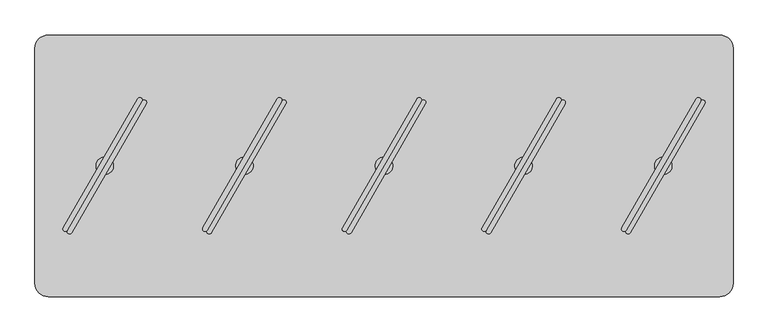
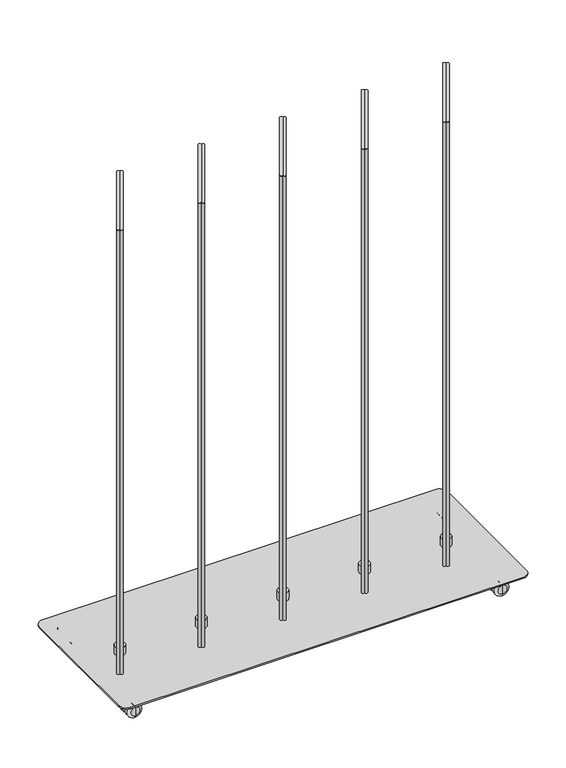
"""IFC4 building model written with IfcOpenShell, lengths in millimetres: furniture geometry."""

from ifc_helpers import new_model, si_unit, point, frame, frame_2d, origin, place, context, project, spatial, polyline, circle_curve, ellipse_curve, trimmed, segment, composite_curve, outline, extrude, source, transform, mapped, element, save
from ifc_brep_helpers import plane_surface, cylinder_surface, revolved_surface, advanced_brep


def furniture_370e9531(model_context):
    return source(origin(), model_context, "Body", "SolidModel", [
        extrude(outline(composite_curve([segment(polyline([(340.6144903, -160.9427833), (447.2724107, 23.7941539)]), True, "CONTINUOUS"), segment(trimmed(circle_curve(frame_2d((450.3034289, 22.0441947)), 3.4999184), [point((447.2724107, 23.7941539))], [point((453.3344472, 20.2942356))], False, "CARTESIAN"), True, "CONTINUOUS"), segment(polyline([(453.3344472, 20.2942356), (346.6765267, -164.4427017)]), True, "CONTINUOUS"), segment(trimmed(circle_curve(frame_2d((343.6455085, -162.6927425)), 3.4999184), [point((346.6765267, -164.4427017))], [point((340.6144903, -160.9427833))], False, "CARTESIAN"), True, "CONTINUOUS")], self_intersect=False)), frame((0.0, 0.0, 80.7339983), z_axis=(0.0, 0.0, 1.0), x_axis=(1.0, 0.0, 0.0)), (0.0, 0.0, 1.0), 1150.112),
        extrude(outline(composite_curve([segment(trimmed(circle_curve(frame_2d((349.707545, -166.1926609)), 3.4999184), [point((352.7385632, -167.9426201))], [point((346.6765267, -164.4427017))], False, "CARTESIAN"), True, "CONTINUOUS"), segment(polyline([(346.6765267, -164.4427017), (453.3344472, 20.2942356)]), True, "CONTINUOUS"), segment(trimmed(circle_curve(frame_2d((456.3654654, 18.5442764)), 3.4999184), [point((453.3344472, 20.2942356))], [point((459.3964836, 16.7943172))], False, "CARTESIAN"), True, "CONTINUOUS"), segment(polyline([(459.3964836, 16.7943172), (352.7385632, -167.9426201)]), True, "CONTINUOUS")], self_intersect=False)), frame((0.0, 0.0, 80.7339983), z_axis=(0.0, 0.0, 1.0), x_axis=(1.0, 0.0, 0.0)), (0.0, 0.0, 1.0), 1150.112),
        advanced_brep(
        [(399.9992, -84.5709522, 80.7339983), (399.9992, -59.5748171, 80.7339983), (399.9992, -59.5748171, 59.9975986), (399.9992, -84.5709522, 59.9975986), (399.9992, -72.0728847, 80.7339983), (399.9992, -72.0728847, 59.9975986)],
        [
            (0, 1, circle_curve(frame((399.9992, -72.0728847, 80.7339983), z_axis=(0.0, 0.0, -1.0), x_axis=(0.0, 1.0, 0.0)), 12.4980675)),
            (1, 2),
            (2, 3, circle_curve(frame((399.9992, -72.0728847, 59.9975986), z_axis=(0.0, 0.0, 1.0), x_axis=(0.0, 1.0, 0.0)), 12.4980675)),
            (3, 0),
            (4, 1),
            (0, 4),
            (0, 1, circle_curve(frame((399.9992, -72.0728847, 80.7339983), z_axis=(0.0, 0.0, 1.0), x_axis=(0.0, 1.0, 0.0)), 12.4980675)),
            (2, 5),
            (5, 3),
            (2, 3, circle_curve(frame((399.9992, -72.0728847, 59.9975986), z_axis=(0.0, 0.0, -1.0), x_axis=(0.0, 1.0, 0.0)), 12.4980675)),
        ],
        [
            cylinder_surface(frame((399.9992, -72.0728847, 88.2747758), z_axis=(0.0, 0.0, 1.0), x_axis=(0.0, 1.0, 0.0)), 12.4980675),
            plane_surface(frame((399.9992, -72.0728847, 80.7339983), z_axis=(0.0, 0.0, 1.0), x_axis=(0.0, 1.0, 0.0))),
            plane_surface(frame((399.9992, -72.0728847, 59.9975986), z_axis=(0.0, 0.0, -1.0), x_axis=(0.0, 1.0, 0.0))),
        ],
        [
            (0, [[1, 2, 3, 4]]),
            (1, [[5, -1, 6]]),
            (1, [[-6, 7, -5]]),
            (2, [[-3, 8, 9]]),
            (2, [[10, -9, -8]]),
            (0, [[-7, -4, -10, -2]]),
        ],
    ),
        extrude(outline(composite_curve([segment(polyline([(140.6148903, -160.9427833), (247.2728107, 23.7941539)]), True, "CONTINUOUS"), segment(trimmed(circle_curve(frame_2d((250.3038289, 22.0441947)), 3.4999184), [point((247.2728107, 23.7941539))], [point((253.3348472, 20.2942356))], False, "CARTESIAN"), True, "CONTINUOUS"), segment(polyline([(253.3348472, 20.2942356), (146.6769267, -164.4427017)]), True, "CONTINUOUS"), segment(trimmed(circle_curve(frame_2d((143.6459085, -162.6927425)), 3.4999184), [point((146.6769267, -164.4427017))], [point((140.6148903, -160.9427833))], False, "CARTESIAN"), True, "CONTINUOUS")], self_intersect=False)), frame((0.0, 0.0, 80.7339983), z_axis=(0.0, 0.0, 1.0), x_axis=(1.0, 0.0, 0.0)), (0.0, 0.0, 1.0), 1150.112),
        extrude(outline(composite_curve([segment(trimmed(circle_curve(frame_2d((149.707945, -166.1926609)), 3.4999184), [point((152.7389632, -167.9426201))], [point((146.6769267, -164.4427017))], False, "CARTESIAN"), True, "CONTINUOUS"), segment(polyline([(146.6769267, -164.4427017), (253.3348472, 20.2942356)]), True, "CONTINUOUS"), segment(trimmed(circle_curve(frame_2d((256.3658654, 18.5442764)), 3.4999184), [point((253.3348472, 20.2942356))], [point((259.3968836, 16.7943172))], False, "CARTESIAN"), True, "CONTINUOUS"), segment(polyline([(259.3968836, 16.7943172), (152.7389632, -167.9426201)]), True, "CONTINUOUS")], self_intersect=False)), frame((0.0, 0.0, 80.7339983), z_axis=(0.0, 0.0, 1.0), x_axis=(1.0, 0.0, 0.0)), (0.0, 0.0, 1.0), 1150.112),
        advanced_brep(
        [(199.9996, -84.5709522, 80.7339983), (199.9996, -59.5748171, 80.7339983), (199.9996, -59.5748171, 59.9975986), (199.9996, -84.5709522, 59.9975986), (199.9996, -72.0728847, 80.7339983), (199.9996, -72.0728847, 59.9975986)],
        [
            (0, 1, circle_curve(frame((199.9996, -72.0728847, 80.7339983), z_axis=(0.0, 0.0, -1.0), x_axis=(0.0, 1.0, 0.0)), 12.4980675)),
            (1, 2),
            (2, 3, circle_curve(frame((199.9996, -72.0728847, 59.9975986), z_axis=(0.0, 0.0, 1.0), x_axis=(0.0, 1.0, 0.0)), 12.4980675)),
            (3, 0),
            (4, 1),
            (0, 4),
            (0, 1, circle_curve(frame((199.9996, -72.0728847, 80.7339983), z_axis=(0.0, 0.0, 1.0), x_axis=(0.0, 1.0, 0.0)), 12.4980675)),
            (2, 5),
            (5, 3),
            (2, 3, circle_curve(frame((199.9996, -72.0728847, 59.9975986), z_axis=(0.0, 0.0, -1.0), x_axis=(0.0, 1.0, 0.0)), 12.4980675)),
        ],
        [
            cylinder_surface(frame((199.9996, -72.0728847, 88.2747758), z_axis=(0.0, 0.0, 1.0), x_axis=(0.0, 1.0, 0.0)), 12.4980675),
            plane_surface(frame((199.9996, -72.0728847, 80.7339983), z_axis=(0.0, 0.0, 1.0), x_axis=(0.0, 1.0, 0.0))),
            plane_surface(frame((199.9996, -72.0728847, 59.9975986), z_axis=(0.0, 0.0, -1.0), x_axis=(0.0, 1.0, 0.0))),
        ],
        [
            (0, [[1, 2, 3, 4]]),
            (1, [[5, -1, 6]]),
            (1, [[-6, 7, -5]]),
            (2, [[-3, 8, 9]]),
            (2, [[10, -9, -8]]),
            (0, [[-7, -4, -10, -2]]),
        ],
    ),
        extrude(outline(composite_curve([segment(polyline([(-459.3839097, -160.9427833), (-352.7259893, 23.7941539)]), True, "CONTINUOUS"), segment(trimmed(circle_curve(frame_2d((-349.6949711, 22.0441947)), 3.4999184), [point((-352.7259893, 23.7941539))], [point((-346.6639528, 20.2942356))], False, "CARTESIAN"), True, "CONTINUOUS"), segment(polyline([(-346.6639528, 20.2942356), (-453.3218733, -164.4427017)]), True, "CONTINUOUS"), segment(trimmed(circle_curve(frame_2d((-456.3528915, -162.6927425)), 3.4999184), [point((-453.3218733, -164.4427017))], [point((-459.3839097, -160.9427833))], False, "CARTESIAN"), True, "CONTINUOUS")], self_intersect=False)), frame((0.0, 0.0, 80.7339983), z_axis=(0.0, 0.0, 1.0), x_axis=(1.0, 0.0, 0.0)), (0.0, 0.0, 1.0), 1150.112),
        extrude(outline(composite_curve([segment(trimmed(circle_curve(frame_2d((-450.290855, -166.1926609)), 3.4999184), [point((-447.2598368, -167.9426201))], [point((-453.3218733, -164.4427017))], False, "CARTESIAN"), True, "CONTINUOUS"), segment(polyline([(-453.3218733, -164.4427017), (-346.6639528, 20.2942356)]), True, "CONTINUOUS"), segment(trimmed(circle_curve(frame_2d((-343.6329346, 18.5442764)), 3.4999184), [point((-346.6639528, 20.2942356))], [point((-340.6019164, 16.7943172))], False, "CARTESIAN"), True, "CONTINUOUS"), segment(polyline([(-340.6019164, 16.7943172), (-447.2598368, -167.9426201)]), True, "CONTINUOUS")], self_intersect=False)), frame((0.0, 0.0, 80.7339983), z_axis=(0.0, 0.0, 1.0), x_axis=(1.0, 0.0, 0.0)), (0.0, 0.0, 1.0), 1150.112),
        advanced_brep(
        [(-399.9992, -84.5709522, 80.7339983), (-399.9992, -59.5748171, 80.7339983), (-399.9992, -59.5748171, 59.9975986), (-399.9992, -84.5709522, 59.9975986), (-399.9992, -72.0728847, 80.7339983), (-399.9992, -72.0728847, 59.9975986)],
        [
            (0, 1, circle_curve(frame((-399.9992, -72.0728847, 80.7339983), z_axis=(0.0, 0.0, -1.0), x_axis=(0.0, 1.0, 0.0)), 12.4980675)),
            (1, 2),
            (2, 3, circle_curve(frame((-399.9992, -72.0728847, 59.9975986), z_axis=(0.0, 0.0, 1.0), x_axis=(0.0, 1.0, 0.0)), 12.4980675)),
            (3, 0),
            (4, 1),
            (0, 4),
            (0, 1, circle_curve(frame((-399.9992, -72.0728847, 80.7339983), z_axis=(0.0, 0.0, 1.0), x_axis=(0.0, 1.0, 0.0)), 12.4980675)),
            (2, 5),
            (5, 3),
            (2, 3, circle_curve(frame((-399.9992, -72.0728847, 59.9975986), z_axis=(0.0, 0.0, -1.0), x_axis=(0.0, 1.0, 0.0)), 12.4980675)),
        ],
        [
            cylinder_surface(frame((-399.9992, -72.0728847, 88.2747758), z_axis=(0.0, 0.0, 1.0), x_axis=(0.0, 1.0, 0.0)), 12.4980675),
            plane_surface(frame((-399.9992, -72.0728847, 80.7339983), z_axis=(0.0, 0.0, 1.0), x_axis=(0.0, 1.0, 0.0))),
            plane_surface(frame((-399.9992, -72.0728847, 59.9975986), z_axis=(0.0, 0.0, -1.0), x_axis=(0.0, 1.0, 0.0))),
        ],
        [
            (0, [[1, 2, 3, 4]]),
            (1, [[5, -1, 6]]),
            (1, [[-6, 7, -5]]),
            (2, [[-3, 8, 9]]),
            (2, [[10, -9, -8]]),
            (0, [[-7, -4, -10, -2]]),
        ],
    ),
        extrude(outline(composite_curve([segment(polyline([(-59.3847097, -160.9427833), (47.2732107, 23.7941539)]), True, "CONTINUOUS"), segment(trimmed(circle_curve(frame_2d((50.3042289, 22.0441947)), 3.4999184), [point((47.2732107, 23.7941539))], [point((53.3352472, 20.2942356))], False, "CARTESIAN"), True, "CONTINUOUS"), segment(polyline([(53.3352472, 20.2942356), (-53.3226733, -164.4427017)]), True, "CONTINUOUS"), segment(trimmed(circle_curve(frame_2d((-56.3536915, -162.6927425)), 3.4999184), [point((-53.3226733, -164.4427017))], [point((-59.3847097, -160.9427833))], False, "CARTESIAN"), True, "CONTINUOUS")], self_intersect=False)), frame((0.0, 0.0, 80.7339983), z_axis=(0.0, 0.0, 1.0), x_axis=(1.0, 0.0, 0.0)), (0.0, 0.0, 1.0), 1150.112),
        extrude(outline(composite_curve([segment(trimmed(circle_curve(frame_2d((-50.291655, -166.1926609)), 3.4999184), [point((-47.2606368, -167.9426201))], [point((-53.3226733, -164.4427017))], False, "CARTESIAN"), True, "CONTINUOUS"), segment(polyline([(-53.3226733, -164.4427017), (53.3352472, 20.2942356)]), True, "CONTINUOUS"), segment(trimmed(circle_curve(frame_2d((56.3662654, 18.5442764)), 3.4999184), [point((53.3352472, 20.2942356))], [point((59.3972836, 16.7943172))], False, "CARTESIAN"), True, "CONTINUOUS"), segment(polyline([(59.3972836, 16.7943172), (-47.2606368, -167.9426201)]), True, "CONTINUOUS")], self_intersect=False)), frame((0.0, 0.0, 80.7339983), z_axis=(0.0, 0.0, 1.0), x_axis=(1.0, 0.0, 0.0)), (0.0, 0.0, 1.0), 1150.112),
        advanced_brep(
        [(0.0, -84.5709522, 80.7339983), (0.0, -59.5748171, 80.7339983), (0.0, -59.5748171, 59.9975986), (0.0, -84.5709522, 59.9975986), (0.0, -72.0728847, 80.7339983), (0.0, -72.0728847, 59.9975986)],
        [
            (0, 1, circle_curve(frame((0.0, -72.0728847, 80.7339983), z_axis=(0.0, 0.0, -1.0), x_axis=(0.0, 1.0, 0.0)), 12.4980675)),
            (1, 2),
            (2, 3, circle_curve(frame((0.0, -72.0728847, 59.9975986), z_axis=(0.0, 0.0, 1.0), x_axis=(0.0, 1.0, 0.0)), 12.4980675)),
            (3, 0),
            (4, 1),
            (0, 4),
            (0, 1, circle_curve(frame((0.0, -72.0728847, 80.7339983), z_axis=(0.0, 0.0, 1.0), x_axis=(0.0, 1.0, 0.0)), 12.4980675)),
            (2, 5),
            (5, 3),
            (2, 3, circle_curve(frame((0.0, -72.0728847, 59.9975986), z_axis=(0.0, 0.0, -1.0), x_axis=(0.0, 1.0, 0.0)), 12.4980675)),
        ],
        [
            cylinder_surface(frame((0.0, -72.0728847, 88.2747758), z_axis=(0.0, 0.0, 1.0), x_axis=(0.0, 1.0, 0.0)), 12.4980675),
            plane_surface(frame((0.0, -72.0728847, 80.7339983), z_axis=(0.0, 0.0, 1.0), x_axis=(0.0, 1.0, 0.0))),
            plane_surface(frame((0.0, -72.0728847, 59.9975986), z_axis=(0.0, 0.0, -1.0), x_axis=(0.0, 1.0, 0.0))),
        ],
        [
            (0, [[1, 2, 3, 4]]),
            (1, [[5, -1, 6]]),
            (1, [[-6, 7, -5]]),
            (2, [[-3, 8, 9]]),
            (2, [[10, -9, -8]]),
            (0, [[-7, -4, -10, -2]]),
        ],
    ),
        extrude(outline(composite_curve([segment(polyline([(-259.3843097, -160.9427833), (-152.7263893, 23.7941539)]), True, "CONTINUOUS"), segment(trimmed(circle_curve(frame_2d((-149.6953711, 22.0441947)), 3.4999184), [point((-152.7263893, 23.7941539))], [point((-146.6643528, 20.2942356))], False, "CARTESIAN"), True, "CONTINUOUS"), segment(polyline([(-146.6643528, 20.2942356), (-253.3222733, -164.4427017)]), True, "CONTINUOUS"), segment(trimmed(circle_curve(frame_2d((-256.3532915, -162.6927425)), 3.4999184), [point((-253.3222733, -164.4427017))], [point((-259.3843097, -160.9427833))], False, "CARTESIAN"), True, "CONTINUOUS")], self_intersect=False)), frame((0.0, 0.0, 80.7339983), z_axis=(0.0, 0.0, 1.0), x_axis=(1.0, 0.0, 0.0)), (0.0, 0.0, 1.0), 1150.112),
        extrude(outline(composite_curve([segment(trimmed(circle_curve(frame_2d((-250.291255, -166.1926609)), 3.4999184), [point((-247.2602368, -167.9426201))], [point((-253.3222733, -164.4427017))], False, "CARTESIAN"), True, "CONTINUOUS"), segment(polyline([(-253.3222733, -164.4427017), (-146.6643528, 20.2942356)]), True, "CONTINUOUS"), segment(trimmed(circle_curve(frame_2d((-143.6333346, 18.5442764)), 3.4999184), [point((-146.6643528, 20.2942356))], [point((-140.6023164, 16.7943172))], False, "CARTESIAN"), True, "CONTINUOUS"), segment(polyline([(-140.6023164, 16.7943172), (-247.2602368, -167.9426201)]), True, "CONTINUOUS")], self_intersect=False)), frame((0.0, 0.0, 80.7339983), z_axis=(0.0, 0.0, 1.0), x_axis=(1.0, 0.0, 0.0)), (0.0, 0.0, 1.0), 1150.112),
        advanced_brep(
        [(-199.9996, -84.5709522, 80.7339983), (-199.9996, -59.5748171, 80.7339983), (-199.9996, -59.5748171, 59.9975986), (-199.9996, -84.5709522, 59.9975986), (-199.9996, -72.0728847, 80.7339983), (-199.9996, -72.0728847, 59.9975986)],
        [
            (0, 1, circle_curve(frame((-199.9996, -72.0728847, 80.7339983), z_axis=(0.0, 0.0, -1.0), x_axis=(0.0, 1.0, 0.0)), 12.4980675)),
            (1, 2),
            (2, 3, circle_curve(frame((-199.9996, -72.0728847, 59.9975986), z_axis=(0.0, 0.0, 1.0), x_axis=(0.0, 1.0, 0.0)), 12.4980675)),
            (3, 0),
            (4, 1),
            (0, 4),
            (0, 1, circle_curve(frame((-199.9996, -72.0728847, 80.7339983), z_axis=(0.0, 0.0, 1.0), x_axis=(0.0, 1.0, 0.0)), 12.4980675)),
            (2, 5),
            (5, 3),
            (2, 3, circle_curve(frame((-199.9996, -72.0728847, 59.9975986), z_axis=(0.0, 0.0, -1.0), x_axis=(0.0, 1.0, 0.0)), 12.4980675)),
        ],
        [
            cylinder_surface(frame((-199.9996, -72.0728847, 88.2747758), z_axis=(0.0, 0.0, 1.0), x_axis=(0.0, 1.0, 0.0)), 12.4980675),
            plane_surface(frame((-199.9996, -72.0728847, 80.7339983), z_axis=(0.0, 0.0, 1.0), x_axis=(0.0, 1.0, 0.0))),
            plane_surface(frame((-199.9996, -72.0728847, 59.9975986), z_axis=(0.0, 0.0, -1.0), x_axis=(0.0, 1.0, 0.0))),
        ],
        [
            (0, [[1, 2, 3, 4]]),
            (1, [[5, -1, 6]]),
            (1, [[-6, 7, -5]]),
            (2, [[-3, 8, 9]]),
            (2, [[10, -9, -8]]),
            (0, [[-7, -4, -10, -2]]),
        ],
    ),
        advanced_brep(
        [(450.0227698, -206.2418204, 45.0000013), (450.0227698, -203.51056, 45.0000013), (450.0227698, -208.9730808, 45.0000013), (450.0227698, -208.9730808, 20.9698569), (450.0227698, -203.51056, 20.9698569), (450.0227698, -206.2418204, 20.9698569)],
        [
            (0, 1),
            (1, 2, circle_curve(frame((450.0227698, -206.2418204, 45.0000013), z_axis=(0.0, 0.0, 1.0), x_axis=(0.0, 1.0, 0.0)), 2.7312604)),
            (2, 0),
            (2, 1, circle_curve(frame((450.0227698, -206.2418204, 45.0000013), z_axis=(0.0, 0.0, 1.0), x_axis=(0.0, 1.0, 0.0)), 2.7312604)),
            (3, 4, circle_curve(frame((450.0227698, -206.2418204, 20.9698569), z_axis=(0.0, 0.0, -1.0), x_axis=(0.0, 1.0, 0.0)), 2.7312604)),
            (4, 5),
            (5, 3),
            (4, 3, circle_curve(frame((450.0227698, -206.2418204, 20.9698569), z_axis=(0.0, 0.0, -1.0), x_axis=(0.0, 1.0, 0.0)), 2.7312604)),
            (1, 4),
            (3, 2),
        ],
        [
            plane_surface(frame((450.0227698, -206.2418204, 45.0000013), z_axis=(0.0, 0.0, 1.0), x_axis=(0.0, 1.0, 0.0))),
            plane_surface(frame((450.0227698, -206.2418204, 20.9698569), z_axis=(0.0, 0.0, -1.0), x_axis=(0.0, 1.0, 0.0))),
            cylinder_surface(frame((450.0227698, -206.2418204, 53.5051757), z_axis=(0.0, 0.0, 1.0), x_axis=(0.0, 1.0, 0.0)), 2.7312604),
        ],
        [
            (0, [[1, 2, 3]]),
            (0, [[-3, 4, -1]]),
            (1, [[5, 6, 7]]),
            (1, [[8, -7, -6]]),
            (2, [[-2, 9, -5, 10]]),
            (2, [[-4, -10, -8, -9]]),
        ],
    ),
        advanced_brep(
        [(450.0227698, -187.2418219, 6.35), (450.0227698, -187.2418219, 29.650001), (450.0227698, -187.2418219, 18.0000005), (450.0227698, -193.5918219, 0.0), (450.0227698, -193.5918219, 36.000001), (450.0227698, -199.2418207, 0.0), (450.0227698, -199.2418207, 36.000001), (450.0227698, -199.2418207, 11.0000008), (450.0227698, -199.2418207, 25.0000002), (450.0227698, -213.2418246, 11.0000008), (450.0227698, -213.2418246, 25.0000002), (450.0227698, -213.2418246, 0.0), (450.0227698, -213.2418246, 36.000001), (450.0227698, -218.8918189, 0.0), (450.0227698, -218.8918189, 36.000001), (450.0227698, -225.2418189, 6.35), (450.0227698, -225.2418189, 29.650001), (450.0227698, -225.2418189, 18.0000005)],
        [
            (0, 1, circle_curve(frame((450.0227698, -187.2418219, 18.0000005), z_axis=(0.0, 1.0, 0.0), x_axis=(0.0, 0.0, 1.0)), 11.6500005)),
            (1, 2),
            (2, 0),
            (1, 0, circle_curve(frame((450.0227698, -187.2418219, 18.0000005), z_axis=(0.0, 1.0, 0.0), x_axis=(0.0, 0.0, 1.0)), 11.6500005)),
            (3, 4, circle_curve(frame((450.0227698, -193.5918219, 18.0000005), z_axis=(0.0, 1.0, 0.0), x_axis=(0.0, 0.0, 1.0)), 18.0000005)),
            (4, 1, circle_curve(frame((450.0227698, -193.5918219, 29.650001), z_axis=(-1.0, 0.0, 0.0), x_axis=(0.0, 1.0, 0.0)), 6.35)),
            (0, 3, circle_curve(frame((450.0227698, -193.5918219, 6.35), z_axis=(-1.0, 0.0, 0.0), x_axis=(0.0, 1.0, 0.0)), 6.35)),
            (4, 3, circle_curve(frame((450.0227698, -193.5918219, 18.0000005), z_axis=(0.0, 1.0, 0.0), x_axis=(0.0, 0.0, 1.0)), 18.0000005)),
            (5, 6, circle_curve(frame((450.0227698, -199.2418207, 18.0000005), z_axis=(0.0, 1.0, 0.0), x_axis=(0.0, 0.0, 1.0)), 18.0000005)),
            (6, 4),
            (3, 5),
            (6, 5, circle_curve(frame((450.0227698, -199.2418207, 18.0000005), z_axis=(0.0, 1.0, 0.0), x_axis=(0.0, 0.0, 1.0)), 18.0000005)),
            (7, 8, circle_curve(frame((450.0227698, -199.2418207, 18.0000005), z_axis=(0.0, 1.0, 0.0), x_axis=(0.0, 0.0, 1.0)), 6.9999997)),
            (8, 6),
            (5, 7),
            (8, 7, circle_curve(frame((450.0227698, -199.2418207, 18.0000005), z_axis=(0.0, 1.0, 0.0), x_axis=(0.0, 0.0, 1.0)), 6.9999997)),
            (9, 10, circle_curve(frame((450.0227698, -213.2418246, 18.0000005), z_axis=(0.0, 1.0, 0.0), x_axis=(0.0, 0.0, 1.0)), 6.9999997)),
            (10, 8),
            (7, 9),
            (10, 9, circle_curve(frame((450.0227698, -213.2418246, 18.0000005), z_axis=(0.0, 1.0, 0.0), x_axis=(0.0, 0.0, 1.0)), 6.9999997)),
            (11, 12, circle_curve(frame((450.0227698, -213.2418246, 18.0000005), z_axis=(0.0, 1.0, 0.0), x_axis=(0.0, 0.0, 1.0)), 18.0000005)),
            (12, 10),
            (9, 11),
            (12, 11, circle_curve(frame((450.0227698, -213.2418246, 18.0000005), z_axis=(0.0, 1.0, 0.0), x_axis=(0.0, 0.0, 1.0)), 18.0000005)),
            (13, 14, circle_curve(frame((450.0227698, -218.8918189, 18.0000005), z_axis=(0.0, 1.0, 0.0), x_axis=(0.0, 0.0, 1.0)), 18.0000005)),
            (14, 12),
            (11, 13),
            (14, 13, circle_curve(frame((450.0227698, -218.8918189, 18.0000005), z_axis=(0.0, 1.0, 0.0), x_axis=(0.0, 0.0, 1.0)), 18.0000005)),
            (15, 16, circle_curve(frame((450.0227698, -225.2418189, 18.0000005), z_axis=(0.0, 1.0, 0.0), x_axis=(0.0, 0.0, 1.0)), 11.6500005)),
            (16, 14, circle_curve(frame((450.0227698, -218.8918189, 29.650001), z_axis=(-1.0, 0.0, 0.0), x_axis=(0.0, 1.0, 0.0)), 6.35)),
            (13, 15, circle_curve(frame((450.0227698, -218.8918189, 6.35), z_axis=(-1.0, 0.0, 0.0), x_axis=(0.0, 1.0, 0.0)), 6.35)),
            (16, 15, circle_curve(frame((450.0227698, -225.2418189, 18.0000005), z_axis=(0.0, 1.0, 0.0), x_axis=(0.0, 0.0, 1.0)), 11.6500005)),
            (17, 16),
            (15, 17),
        ],
        [
            plane_surface(frame((450.0227698, -187.2418219, 18.0000005), z_axis=(0.0, 1.0, 0.0), x_axis=(0.0, 0.0, 1.0))),
            revolved_surface(trimmed(ellipse_curve(frame((450.0227698, -193.5918219, 29.650001), z_axis=(1.0, 0.0, 0.0), x_axis=(0.0, 1.0, 0.0)), 6.35, 6.35), [point((450.0227698, -187.2418219, 29.650001))], [point((450.0227698, -193.5918219, 36.000001))], True, "CARTESIAN"), (450.0227698, -263.3418189, 18.0000005), (0.0, -1.0, 0.0)),
            cylinder_surface(frame((450.0227698, -263.3418189, 18.0000005), z_axis=(0.0, -1.0, 0.0), x_axis=(0.0, 0.0, 1.0)), 18.0000005),
            plane_surface(frame((450.0227698, -199.2418207, 18.0000005), z_axis=(0.0, -1.0, 0.0), x_axis=(0.0, 0.0, 1.0))),
            cylinder_surface(frame((450.0227698, -263.3418189, 18.0000005), z_axis=(0.0, -1.0, 0.0), x_axis=(0.0, 0.0, 1.0)), 6.9999997),
            plane_surface(frame((450.0227698, -213.2418246, 18.0000005), z_axis=(0.0, 1.0, 0.0), x_axis=(0.0, 0.0, 1.0))),
            revolved_surface(trimmed(ellipse_curve(frame((450.0227698, -218.8918189, 29.650001), z_axis=(1.0, 0.0, 0.0), x_axis=(0.0, 1.0, 0.0)), 6.35, 6.35), [point((450.0227698, -218.8918189, 36.000001))], [point((450.0227698, -225.2418189, 29.650001))], True, "CARTESIAN"), (450.0227698, -263.3418189, 18.0000005), (0.0, -1.0, 0.0)),
            plane_surface(frame((450.0227698, -225.2418189, 18.0000005), z_axis=(0.0, -1.0, 0.0), x_axis=(0.0, 0.0, 1.0))),
        ],
        [
            (0, [[1, 2, 3]]),
            (0, [[4, -3, -2]]),
            (1, [[5, 6, -1, 7]]),
            (1, [[8, -7, -4, -6]]),
            (2, [[9, 10, -5, 11]]),
            (2, [[12, -11, -8, -10]]),
            (3, [[13, 14, -9, 15]]),
            (3, [[16, -15, -12, -14]]),
            (4, [[17, 18, -13, 19]]),
            (4, [[20, -19, -16, -18]]),
            (5, [[21, 22, -17, 23]]),
            (5, [[24, -23, -20, -22]]),
            (2, [[25, 26, -21, 27]]),
            (2, [[28, -27, -24, -26]]),
            (6, [[29, 30, -25, 31]]),
            (6, [[32, -31, -28, -30]]),
            (7, [[33, -29, 34]]),
            (7, [[-34, -32, -33]]),
        ],
    ),
        advanced_brep(
        [(450.0227698, 62.0960511, 45.0000013), (450.0227698, 64.8273115, 45.0000013), (450.0227698, 59.3647906, 45.0000013), (450.0227698, 59.3647906, 20.9698569), (450.0227698, 64.8273115, 20.9698569), (450.0227698, 62.0960511, 20.9698569)],
        [
            (0, 1),
            (1, 2, circle_curve(frame((450.0227698, 62.0960511, 45.0000013), z_axis=(0.0, 0.0, 1.0), x_axis=(0.0, 1.0, 0.0)), 2.7312604)),
            (2, 0),
            (2, 1, circle_curve(frame((450.0227698, 62.0960511, 45.0000013), z_axis=(0.0, 0.0, 1.0), x_axis=(0.0, 1.0, 0.0)), 2.7312604)),
            (3, 4, circle_curve(frame((450.0227698, 62.0960511, 20.9698569), z_axis=(0.0, 0.0, -1.0), x_axis=(0.0, 1.0, 0.0)), 2.7312604)),
            (4, 5),
            (5, 3),
            (4, 3, circle_curve(frame((450.0227698, 62.0960511, 20.9698569), z_axis=(0.0, 0.0, -1.0), x_axis=(0.0, 1.0, 0.0)), 2.7312604)),
            (1, 4),
            (3, 2),
        ],
        [
            plane_surface(frame((450.0227698, 62.0960511, 45.0000013), z_axis=(0.0, 0.0, 1.0), x_axis=(0.0, 1.0, 0.0))),
            plane_surface(frame((450.0227698, 62.0960511, 20.9698569), z_axis=(0.0, 0.0, -1.0), x_axis=(0.0, 1.0, 0.0))),
            cylinder_surface(frame((450.0227698, 62.0960511, 53.5051757), z_axis=(0.0, 0.0, 1.0), x_axis=(0.0, 1.0, 0.0)), 2.7312604),
        ],
        [
            (0, [[1, 2, 3]]),
            (0, [[-3, 4, -1]]),
            (1, [[5, 6, 7]]),
            (1, [[8, -7, -6]]),
            (2, [[-2, 9, -5, 10]]),
            (2, [[-4, -10, -8, -9]]),
        ],
    ),
        advanced_brep(
        [(450.0227698, 81.0960496, 6.35), (450.0227698, 81.0960496, 29.650001), (450.0227698, 81.0960496, 18.0000005), (450.0227698, 74.7460496, 0.0), (450.0227698, 74.7460496, 36.000001), (450.0227698, 69.0960507, 0.0), (450.0227698, 69.0960507, 36.000001), (450.0227698, 69.0960507, 11.0000008), (450.0227698, 69.0960507, 25.0000002), (450.0227698, 55.0960468, 11.0000008), (450.0227698, 55.0960468, 25.0000002), (450.0227698, 55.0960468, 0.0), (450.0227698, 55.0960468, 36.000001), (450.0227698, 49.4460525, 0.0), (450.0227698, 49.4460525, 36.000001), (450.0227698, 43.0960525, 6.35), (450.0227698, 43.0960525, 29.650001), (450.0227698, 43.0960525, 18.0000005)],
        [
            (0, 1, circle_curve(frame((450.0227698, 81.0960496, 18.0000005), z_axis=(0.0, 1.0, 0.0), x_axis=(0.0, 0.0, 1.0)), 11.6500005)),
            (1, 2),
            (2, 0),
            (1, 0, circle_curve(frame((450.0227698, 81.0960496, 18.0000005), z_axis=(0.0, 1.0, 0.0), x_axis=(0.0, 0.0, 1.0)), 11.6500005)),
            (3, 4, circle_curve(frame((450.0227698, 74.7460496, 18.0000005), z_axis=(0.0, 1.0, 0.0), x_axis=(0.0, 0.0, 1.0)), 18.0000005)),
            (4, 1, circle_curve(frame((450.0227698, 74.7460496, 29.650001), z_axis=(-1.0, 0.0, 0.0), x_axis=(0.0, 1.0, 0.0)), 6.35)),
            (0, 3, circle_curve(frame((450.0227698, 74.7460496, 6.35), z_axis=(-1.0, 0.0, 0.0), x_axis=(0.0, 1.0, 0.0)), 6.35)),
            (4, 3, circle_curve(frame((450.0227698, 74.7460496, 18.0000005), z_axis=(0.0, 1.0, 0.0), x_axis=(0.0, 0.0, 1.0)), 18.0000005)),
            (5, 6, circle_curve(frame((450.0227698, 69.0960507, 18.0000005), z_axis=(0.0, 1.0, 0.0), x_axis=(0.0, 0.0, 1.0)), 18.0000005)),
            (6, 4),
            (3, 5),
            (6, 5, circle_curve(frame((450.0227698, 69.0960507, 18.0000005), z_axis=(0.0, 1.0, 0.0), x_axis=(0.0, 0.0, 1.0)), 18.0000005)),
            (7, 8, circle_curve(frame((450.0227698, 69.0960507, 18.0000005), z_axis=(0.0, 1.0, 0.0), x_axis=(0.0, 0.0, 1.0)), 6.9999997)),
            (8, 6),
            (5, 7),
            (8, 7, circle_curve(frame((450.0227698, 69.0960507, 18.0000005), z_axis=(0.0, 1.0, 0.0), x_axis=(0.0, 0.0, 1.0)), 6.9999997)),
            (9, 10, circle_curve(frame((450.0227698, 55.0960468, 18.0000005), z_axis=(0.0, 1.0, 0.0), x_axis=(0.0, 0.0, 1.0)), 6.9999997)),
            (10, 8),
            (7, 9),
            (10, 9, circle_curve(frame((450.0227698, 55.0960468, 18.0000005), z_axis=(0.0, 1.0, 0.0), x_axis=(0.0, 0.0, 1.0)), 6.9999997)),
            (11, 12, circle_curve(frame((450.0227698, 55.0960468, 18.0000005), z_axis=(0.0, 1.0, 0.0), x_axis=(0.0, 0.0, 1.0)), 18.0000005)),
            (12, 10),
            (9, 11),
            (12, 11, circle_curve(frame((450.0227698, 55.0960468, 18.0000005), z_axis=(0.0, 1.0, 0.0), x_axis=(0.0, 0.0, 1.0)), 18.0000005)),
            (13, 14, circle_curve(frame((450.0227698, 49.4460525, 18.0000005), z_axis=(0.0, 1.0, 0.0), x_axis=(0.0, 0.0, 1.0)), 18.0000005)),
            (14, 12),
            (11, 13),
            (14, 13, circle_curve(frame((450.0227698, 49.4460525, 18.0000005), z_axis=(0.0, 1.0, 0.0), x_axis=(0.0, 0.0, 1.0)), 18.0000005)),
            (15, 16, circle_curve(frame((450.0227698, 43.0960525, 18.0000005), z_axis=(0.0, 1.0, 0.0), x_axis=(0.0, 0.0, 1.0)), 11.6500005)),
            (16, 14, circle_curve(frame((450.0227698, 49.4460525, 29.650001), z_axis=(-1.0, 0.0, 0.0), x_axis=(0.0, 1.0, 0.0)), 6.35)),
            (13, 15, circle_curve(frame((450.0227698, 49.4460525, 6.35), z_axis=(-1.0, 0.0, 0.0), x_axis=(0.0, 1.0, 0.0)), 6.35)),
            (16, 15, circle_curve(frame((450.0227698, 43.0960525, 18.0000005), z_axis=(0.0, 1.0, 0.0), x_axis=(0.0, 0.0, 1.0)), 11.6500005)),
            (17, 16),
            (15, 17),
        ],
        [
            plane_surface(frame((450.0227698, 81.0960496, 18.0000005), z_axis=(0.0, 1.0, 0.0), x_axis=(0.0, 0.0, 1.0))),
            revolved_surface(trimmed(ellipse_curve(frame((450.0227698, 74.7460496, 29.650001), z_axis=(1.0, 0.0, 0.0), x_axis=(0.0, 1.0, 0.0)), 6.35, 6.35), [point((450.0227698, 81.0960496, 29.650001))], [point((450.0227698, 74.7460496, 36.000001))], True, "CARTESIAN"), (450.0227698, 4.9960525, 18.0000005), (0.0, -1.0, 0.0)),
            cylinder_surface(frame((450.0227698, 4.9960525, 18.0000005), z_axis=(0.0, -1.0, 0.0), x_axis=(0.0, 0.0, 1.0)), 18.0000005),
            plane_surface(frame((450.0227698, 69.0960507, 18.0000005), z_axis=(0.0, -1.0, 0.0), x_axis=(0.0, 0.0, 1.0))),
            cylinder_surface(frame((450.0227698, 4.9960525, 18.0000005), z_axis=(0.0, -1.0, 0.0), x_axis=(0.0, 0.0, 1.0)), 6.9999997),
            plane_surface(frame((450.0227698, 55.0960468, 18.0000005), z_axis=(0.0, 1.0, 0.0), x_axis=(0.0, 0.0, 1.0))),
            revolved_surface(trimmed(ellipse_curve(frame((450.0227698, 49.4460525, 29.650001), z_axis=(1.0, 0.0, 0.0), x_axis=(0.0, 1.0, 0.0)), 6.35, 6.35), [point((450.0227698, 49.4460525, 36.000001))], [point((450.0227698, 43.0960525, 29.650001))], True, "CARTESIAN"), (450.0227698, 4.9960525, 18.0000005), (0.0, -1.0, 0.0)),
            plane_surface(frame((450.0227698, 43.0960525, 18.0000005), z_axis=(0.0, -1.0, 0.0), x_axis=(0.0, 0.0, 1.0))),
        ],
        [
            (0, [[1, 2, 3]]),
            (0, [[4, -3, -2]]),
            (1, [[5, 6, -1, 7]]),
            (1, [[8, -7, -4, -6]]),
            (2, [[9, 10, -5, 11]]),
            (2, [[12, -11, -8, -10]]),
            (3, [[13, 14, -9, 15]]),
            (3, [[16, -15, -12, -14]]),
            (4, [[17, 18, -13, 19]]),
            (4, [[20, -19, -16, -18]]),
            (5, [[21, 22, -17, 23]]),
            (5, [[24, -23, -20, -22]]),
            (2, [[25, 26, -21, 27]]),
            (2, [[28, -27, -24, -26]]),
            (6, [[29, 30, -25, 31]]),
            (6, [[32, -31, -28, -30]]),
            (7, [[33, -29, 34]]),
            (7, [[-34, -32, -33]]),
        ],
    ),
        advanced_brep(
        [(-450.0227698, 62.0960511, 45.0000013), (-450.0227698, 64.8273115, 45.0000013), (-450.0227698, 59.3647906, 45.0000013), (-450.0227698, 59.3647906, 20.9698569), (-450.0227698, 64.8273115, 20.9698569), (-450.0227698, 62.0960511, 20.9698569)],
        [
            (0, 1),
            (1, 2, circle_curve(frame((-450.0227698, 62.0960511, 45.0000013), z_axis=(0.0, 0.0, 1.0), x_axis=(0.0, 1.0, 0.0)), 2.7312604)),
            (2, 0),
            (2, 1, circle_curve(frame((-450.0227698, 62.0960511, 45.0000013), z_axis=(0.0, 0.0, 1.0), x_axis=(0.0, 1.0, 0.0)), 2.7312604)),
            (3, 4, circle_curve(frame((-450.0227698, 62.0960511, 20.9698569), z_axis=(0.0, 0.0, -1.0), x_axis=(0.0, 1.0, 0.0)), 2.7312604)),
            (4, 5),
            (5, 3),
            (4, 3, circle_curve(frame((-450.0227698, 62.0960511, 20.9698569), z_axis=(0.0, 0.0, -1.0), x_axis=(0.0, 1.0, 0.0)), 2.7312604)),
            (1, 4),
            (3, 2),
        ],
        [
            plane_surface(frame((-450.0227698, 62.0960511, 45.0000013), z_axis=(0.0, 0.0, 1.0), x_axis=(0.0, 1.0, 0.0))),
            plane_surface(frame((-450.0227698, 62.0960511, 20.9698569), z_axis=(0.0, 0.0, -1.0), x_axis=(0.0, 1.0, 0.0))),
            cylinder_surface(frame((-450.0227698, 62.0960511, 53.5051757), z_axis=(0.0, 0.0, 1.0), x_axis=(0.0, 1.0, 0.0)), 2.7312604),
        ],
        [
            (0, [[1, 2, 3]]),
            (0, [[-3, 4, -1]]),
            (1, [[5, 6, 7]]),
            (1, [[8, -7, -6]]),
            (2, [[-2, 9, -5, 10]]),
            (2, [[-4, -10, -8, -9]]),
        ],
    ),
        advanced_brep(
        [(-450.0227698, 81.0960496, 6.35), (-450.0227698, 81.0960496, 29.650001), (-450.0227698, 81.0960496, 18.0000005), (-450.0227698, 74.7460496, 0.0), (-450.0227698, 74.7460496, 36.000001), (-450.0227698, 69.0960507, 0.0), (-450.0227698, 69.0960507, 36.000001), (-450.0227698, 69.0960507, 11.0000008), (-450.0227698, 69.0960507, 25.0000002), (-450.0227698, 55.0960468, 11.0000008), (-450.0227698, 55.0960468, 25.0000002), (-450.0227698, 55.0960468, 0.0), (-450.0227698, 55.0960468, 36.000001), (-450.0227698, 49.4460525, 0.0), (-450.0227698, 49.4460525, 36.000001), (-450.0227698, 43.0960525, 6.35), (-450.0227698, 43.0960525, 29.650001), (-450.0227698, 43.0960525, 18.0000005)],
        [
            (0, 1, circle_curve(frame((-450.0227698, 81.0960496, 18.0000005), z_axis=(0.0, 1.0, 0.0), x_axis=(0.0, 0.0, 1.0)), 11.6500005)),
            (1, 2),
            (2, 0),
            (1, 0, circle_curve(frame((-450.0227698, 81.0960496, 18.0000005), z_axis=(0.0, 1.0, 0.0), x_axis=(0.0, 0.0, 1.0)), 11.6500005)),
            (3, 4, circle_curve(frame((-450.0227698, 74.7460496, 18.0000005), z_axis=(0.0, 1.0, 0.0), x_axis=(0.0, 0.0, 1.0)), 18.0000005)),
            (4, 1, circle_curve(frame((-450.0227698, 74.7460496, 29.650001), z_axis=(-1.0, 0.0, 0.0), x_axis=(0.0, 1.0, 0.0)), 6.35)),
            (0, 3, circle_curve(frame((-450.0227698, 74.7460496, 6.35), z_axis=(-1.0, 0.0, 0.0), x_axis=(0.0, 1.0, 0.0)), 6.35)),
            (4, 3, circle_curve(frame((-450.0227698, 74.7460496, 18.0000005), z_axis=(0.0, 1.0, 0.0), x_axis=(0.0, 0.0, 1.0)), 18.0000005)),
            (5, 6, circle_curve(frame((-450.0227698, 69.0960507, 18.0000005), z_axis=(0.0, 1.0, 0.0), x_axis=(0.0, 0.0, 1.0)), 18.0000005)),
            (6, 4),
            (3, 5),
            (6, 5, circle_curve(frame((-450.0227698, 69.0960507, 18.0000005), z_axis=(0.0, 1.0, 0.0), x_axis=(0.0, 0.0, 1.0)), 18.0000005)),
            (7, 8, circle_curve(frame((-450.0227698, 69.0960507, 18.0000005), z_axis=(0.0, 1.0, 0.0), x_axis=(0.0, 0.0, 1.0)), 6.9999997)),
            (8, 6),
            (5, 7),
            (8, 7, circle_curve(frame((-450.0227698, 69.0960507, 18.0000005), z_axis=(0.0, 1.0, 0.0), x_axis=(0.0, 0.0, 1.0)), 6.9999997)),
            (9, 10, circle_curve(frame((-450.0227698, 55.0960468, 18.0000005), z_axis=(0.0, 1.0, 0.0), x_axis=(0.0, 0.0, 1.0)), 6.9999997)),
            (10, 8),
            (7, 9),
            (10, 9, circle_curve(frame((-450.0227698, 55.0960468, 18.0000005), z_axis=(0.0, 1.0, 0.0), x_axis=(0.0, 0.0, 1.0)), 6.9999997)),
            (11, 12, circle_curve(frame((-450.0227698, 55.0960468, 18.0000005), z_axis=(0.0, 1.0, 0.0), x_axis=(0.0, 0.0, 1.0)), 18.0000005)),
            (12, 10),
            (9, 11),
            (12, 11, circle_curve(frame((-450.0227698, 55.0960468, 18.0000005), z_axis=(0.0, 1.0, 0.0), x_axis=(0.0, 0.0, 1.0)), 18.0000005)),
            (13, 14, circle_curve(frame((-450.0227698, 49.4460525, 18.0000005), z_axis=(0.0, 1.0, 0.0), x_axis=(0.0, 0.0, 1.0)), 18.0000005)),
            (14, 12),
            (11, 13),
            (14, 13, circle_curve(frame((-450.0227698, 49.4460525, 18.0000005), z_axis=(0.0, 1.0, 0.0), x_axis=(0.0, 0.0, 1.0)), 18.0000005)),
            (15, 16, circle_curve(frame((-450.0227698, 43.0960525, 18.0000005), z_axis=(0.0, 1.0, 0.0), x_axis=(0.0, 0.0, 1.0)), 11.6500005)),
            (16, 14, circle_curve(frame((-450.0227698, 49.4460525, 29.650001), z_axis=(-1.0, 0.0, 0.0), x_axis=(0.0, 1.0, 0.0)), 6.35)),
            (13, 15, circle_curve(frame((-450.0227698, 49.4460525, 6.35), z_axis=(-1.0, 0.0, 0.0), x_axis=(0.0, 1.0, 0.0)), 6.35)),
            (16, 15, circle_curve(frame((-450.0227698, 43.0960525, 18.0000005), z_axis=(0.0, 1.0, 0.0), x_axis=(0.0, 0.0, 1.0)), 11.6500005)),
            (17, 16),
            (15, 17),
        ],
        [
            plane_surface(frame((-450.0227698, 81.0960496, 18.0000005), z_axis=(0.0, 1.0, 0.0), x_axis=(0.0, 0.0, 1.0))),
            revolved_surface(trimmed(ellipse_curve(frame((-450.0227698, 74.7460496, 29.650001), z_axis=(1.0, 0.0, 0.0), x_axis=(0.0, 1.0, 0.0)), 6.35, 6.35), [point((-450.0227698, 81.0960496, 29.650001))], [point((-450.0227698, 74.7460496, 36.000001))], True, "CARTESIAN"), (-450.0227698, 4.9960525, 18.0000005), (0.0, -1.0, 0.0)),
            cylinder_surface(frame((-450.0227698, 4.9960525, 18.0000005), z_axis=(0.0, -1.0, 0.0), x_axis=(0.0, 0.0, 1.0)), 18.0000005),
            plane_surface(frame((-450.0227698, 69.0960507, 18.0000005), z_axis=(0.0, -1.0, 0.0), x_axis=(0.0, 0.0, 1.0))),
            cylinder_surface(frame((-450.0227698, 4.9960525, 18.0000005), z_axis=(0.0, -1.0, 0.0), x_axis=(0.0, 0.0, 1.0)), 6.9999997),
            plane_surface(frame((-450.0227698, 55.0960468, 18.0000005), z_axis=(0.0, 1.0, 0.0), x_axis=(0.0, 0.0, 1.0))),
            revolved_surface(trimmed(ellipse_curve(frame((-450.0227698, 49.4460525, 29.650001), z_axis=(1.0, 0.0, 0.0), x_axis=(0.0, 1.0, 0.0)), 6.35, 6.35), [point((-450.0227698, 49.4460525, 36.000001))], [point((-450.0227698, 43.0960525, 29.650001))], True, "CARTESIAN"), (-450.0227698, 4.9960525, 18.0000005), (0.0, -1.0, 0.0)),
            plane_surface(frame((-450.0227698, 43.0960525, 18.0000005), z_axis=(0.0, -1.0, 0.0), x_axis=(0.0, 0.0, 1.0))),
        ],
        [
            (0, [[1, 2, 3]]),
            (0, [[4, -3, -2]]),
            (1, [[5, 6, -1, 7]]),
            (1, [[8, -7, -4, -6]]),
            (2, [[9, 10, -5, 11]]),
            (2, [[12, -11, -8, -10]]),
            (3, [[13, 14, -9, 15]]),
            (3, [[16, -15, -12, -14]]),
            (4, [[17, 18, -13, 19]]),
            (4, [[20, -19, -16, -18]]),
            (5, [[21, 22, -17, 23]]),
            (5, [[24, -23, -20, -22]]),
            (2, [[25, 26, -21, 27]]),
            (2, [[28, -27, -24, -26]]),
            (6, [[29, 30, -25, 31]]),
            (6, [[32, -31, -28, -30]]),
            (7, [[33, -29, 34]]),
            (7, [[-34, -32, -33]]),
        ],
    ),
        advanced_brep(
        [(-450.0227698, -206.2418204, 45.0000013), (-450.0227698, -203.51056, 45.0000013), (-450.0227698, -208.9730808, 45.0000013), (-450.0227698, -208.9730808, 20.9698569), (-450.0227698, -203.51056, 20.9698569), (-450.0227698, -206.2418204, 20.9698569)],
        [
            (0, 1),
            (1, 2, circle_curve(frame((-450.0227698, -206.2418204, 45.0000013), z_axis=(0.0, 0.0, 1.0), x_axis=(0.0, 1.0, 0.0)), 2.7312604)),
            (2, 0),
            (2, 1, circle_curve(frame((-450.0227698, -206.2418204, 45.0000013), z_axis=(0.0, 0.0, 1.0), x_axis=(0.0, 1.0, 0.0)), 2.7312604)),
            (3, 4, circle_curve(frame((-450.0227698, -206.2418204, 20.9698569), z_axis=(0.0, 0.0, -1.0), x_axis=(0.0, 1.0, 0.0)), 2.7312604)),
            (4, 5),
            (5, 3),
            (4, 3, circle_curve(frame((-450.0227698, -206.2418204, 20.9698569), z_axis=(0.0, 0.0, -1.0), x_axis=(0.0, 1.0, 0.0)), 2.7312604)),
            (1, 4),
            (3, 2),
        ],
        [
            plane_surface(frame((-450.0227698, -206.2418204, 45.0000013), z_axis=(0.0, 0.0, 1.0), x_axis=(0.0, 1.0, 0.0))),
            plane_surface(frame((-450.0227698, -206.2418204, 20.9698569), z_axis=(0.0, 0.0, -1.0), x_axis=(0.0, 1.0, 0.0))),
            cylinder_surface(frame((-450.0227698, -206.2418204, 53.5051757), z_axis=(0.0, 0.0, 1.0), x_axis=(0.0, 1.0, 0.0)), 2.7312604),
        ],
        [
            (0, [[1, 2, 3]]),
            (0, [[-3, 4, -1]]),
            (1, [[5, 6, 7]]),
            (1, [[8, -7, -6]]),
            (2, [[-2, 9, -5, 10]]),
            (2, [[-4, -10, -8, -9]]),
        ],
    ),
        advanced_brep(
        [(-450.0227698, -187.2418219, 6.35), (-450.0227698, -187.2418219, 29.650001), (-450.0227698, -187.2418219, 18.0000005), (-450.0227698, -193.5918219, 0.0), (-450.0227698, -193.5918219, 36.000001), (-450.0227698, -199.2418207, 0.0), (-450.0227698, -199.2418207, 36.000001), (-450.0227698, -199.2418207, 11.0000008), (-450.0227698, -199.2418207, 25.0000002), (-450.0227698, -213.2418246, 11.0000008), (-450.0227698, -213.2418246, 25.0000002), (-450.0227698, -213.2418246, 0.0), (-450.0227698, -213.2418246, 36.000001), (-450.0227698, -218.8918189, 0.0), (-450.0227698, -218.8918189, 36.000001), (-450.0227698, -225.2418189, 6.35), (-450.0227698, -225.2418189, 29.650001), (-450.0227698, -225.2418189, 18.0000005)],
        [
            (0, 1, circle_curve(frame((-450.0227698, -187.2418219, 18.0000005), z_axis=(0.0, 1.0, 0.0), x_axis=(0.0, 0.0, 1.0)), 11.6500005)),
            (1, 2),
            (2, 0),
            (1, 0, circle_curve(frame((-450.0227698, -187.2418219, 18.0000005), z_axis=(0.0, 1.0, 0.0), x_axis=(0.0, 0.0, 1.0)), 11.6500005)),
            (3, 4, circle_curve(frame((-450.0227698, -193.5918219, 18.0000005), z_axis=(0.0, 1.0, 0.0), x_axis=(0.0, 0.0, 1.0)), 18.0000005)),
            (4, 1, circle_curve(frame((-450.0227698, -193.5918219, 29.650001), z_axis=(-1.0, 0.0, 0.0), x_axis=(0.0, 1.0, 0.0)), 6.35)),
            (0, 3, circle_curve(frame((-450.0227698, -193.5918219, 6.35), z_axis=(-1.0, 0.0, 0.0), x_axis=(0.0, 1.0, 0.0)), 6.35)),
            (4, 3, circle_curve(frame((-450.0227698, -193.5918219, 18.0000005), z_axis=(0.0, 1.0, 0.0), x_axis=(0.0, 0.0, 1.0)), 18.0000005)),
            (5, 6, circle_curve(frame((-450.0227698, -199.2418207, 18.0000005), z_axis=(0.0, 1.0, 0.0), x_axis=(0.0, 0.0, 1.0)), 18.0000005)),
            (6, 4),
            (3, 5),
            (6, 5, circle_curve(frame((-450.0227698, -199.2418207, 18.0000005), z_axis=(0.0, 1.0, 0.0), x_axis=(0.0, 0.0, 1.0)), 18.0000005)),
            (7, 8, circle_curve(frame((-450.0227698, -199.2418207, 18.0000005), z_axis=(0.0, 1.0, 0.0), x_axis=(0.0, 0.0, 1.0)), 6.9999997)),
            (8, 6),
            (5, 7),
            (8, 7, circle_curve(frame((-450.0227698, -199.2418207, 18.0000005), z_axis=(0.0, 1.0, 0.0), x_axis=(0.0, 0.0, 1.0)), 6.9999997)),
            (9, 10, circle_curve(frame((-450.0227698, -213.2418246, 18.0000005), z_axis=(0.0, 1.0, 0.0), x_axis=(0.0, 0.0, 1.0)), 6.9999997)),
            (10, 8),
            (7, 9),
            (10, 9, circle_curve(frame((-450.0227698, -213.2418246, 18.0000005), z_axis=(0.0, 1.0, 0.0), x_axis=(0.0, 0.0, 1.0)), 6.9999997)),
            (11, 12, circle_curve(frame((-450.0227698, -213.2418246, 18.0000005), z_axis=(0.0, 1.0, 0.0), x_axis=(0.0, 0.0, 1.0)), 18.0000005)),
            (12, 10),
            (9, 11),
            (12, 11, circle_curve(frame((-450.0227698, -213.2418246, 18.0000005), z_axis=(0.0, 1.0, 0.0), x_axis=(0.0, 0.0, 1.0)), 18.0000005)),
            (13, 14, circle_curve(frame((-450.0227698, -218.8918189, 18.0000005), z_axis=(0.0, 1.0, 0.0), x_axis=(0.0, 0.0, 1.0)), 18.0000005)),
            (14, 12),
            (11, 13),
            (14, 13, circle_curve(frame((-450.0227698, -218.8918189, 18.0000005), z_axis=(0.0, 1.0, 0.0), x_axis=(0.0, 0.0, 1.0)), 18.0000005)),
            (15, 16, circle_curve(frame((-450.0227698, -225.2418189, 18.0000005), z_axis=(0.0, 1.0, 0.0), x_axis=(0.0, 0.0, 1.0)), 11.6500005)),
            (16, 14, circle_curve(frame((-450.0227698, -218.8918189, 29.650001), z_axis=(-1.0, 0.0, 0.0), x_axis=(0.0, 1.0, 0.0)), 6.35)),
            (13, 15, circle_curve(frame((-450.0227698, -218.8918189, 6.35), z_axis=(-1.0, 0.0, 0.0), x_axis=(0.0, 1.0, 0.0)), 6.35)),
            (16, 15, circle_curve(frame((-450.0227698, -225.2418189, 18.0000005), z_axis=(0.0, 1.0, 0.0), x_axis=(0.0, 0.0, 1.0)), 11.6500005)),
            (17, 16),
            (15, 17),
        ],
        [
            plane_surface(frame((-450.0227698, -187.2418219, 18.0000005), z_axis=(0.0, 1.0, 0.0), x_axis=(0.0, 0.0, 1.0))),
            revolved_surface(trimmed(ellipse_curve(frame((-450.0227698, -193.5918219, 29.650001), z_axis=(1.0, 0.0, 0.0), x_axis=(0.0, 1.0, 0.0)), 6.35, 6.35), [point((-450.0227698, -187.2418219, 29.650001))], [point((-450.0227698, -193.5918219, 36.000001))], True, "CARTESIAN"), (-450.0227698, -263.3418189, 18.0000005), (0.0, -1.0, 0.0)),
            cylinder_surface(frame((-450.0227698, -263.3418189, 18.0000005), z_axis=(0.0, -1.0, 0.0), x_axis=(0.0, 0.0, 1.0)), 18.0000005),
            plane_surface(frame((-450.0227698, -199.2418207, 18.0000005), z_axis=(0.0, -1.0, 0.0), x_axis=(0.0, 0.0, 1.0))),
            cylinder_surface(frame((-450.0227698, -263.3418189, 18.0000005), z_axis=(0.0, -1.0, 0.0), x_axis=(0.0, 0.0, 1.0)), 6.9999997),
            plane_surface(frame((-450.0227698, -213.2418246, 18.0000005), z_axis=(0.0, 1.0, 0.0), x_axis=(0.0, 0.0, 1.0))),
            revolved_surface(trimmed(ellipse_curve(frame((-450.0227698, -218.8918189, 29.650001), z_axis=(1.0, 0.0, 0.0), x_axis=(0.0, 1.0, 0.0)), 6.35, 6.35), [point((-450.0227698, -218.8918189, 36.000001))], [point((-450.0227698, -225.2418189, 29.650001))], True, "CARTESIAN"), (-450.0227698, -263.3418189, 18.0000005), (0.0, -1.0, 0.0)),
            plane_surface(frame((-450.0227698, -225.2418189, 18.0000005), z_axis=(0.0, -1.0, 0.0), x_axis=(0.0, 0.0, 1.0))),
        ],
        [
            (0, [[1, 2, 3]]),
            (0, [[4, -3, -2]]),
            (1, [[5, 6, -1, 7]]),
            (1, [[8, -7, -4, -6]]),
            (2, [[9, 10, -5, 11]]),
            (2, [[12, -11, -8, -10]]),
            (3, [[13, 14, -9, 15]]),
            (3, [[16, -15, -12, -14]]),
            (4, [[17, 18, -13, 19]]),
            (4, [[20, -19, -16, -18]]),
            (5, [[21, 22, -17, 23]]),
            (5, [[24, -23, -20, -22]]),
            (2, [[25, 26, -21, 27]]),
            (2, [[28, -27, -24, -26]]),
            (6, [[29, 30, -25, 31]]),
            (6, [[32, -31, -28, -30]]),
            (7, [[33, -29, 34]]),
            (7, [[-34, -32, -33]]),
        ],
    ),
        extrude(outline(composite_curve([segment(polyline([(-450.7865, 85.2691143), (450.7865, 85.2691143)]), True, "CONTINUOUS"), segment(trimmed(circle_curve(frame_2d((450.7865, 66.2191143)), 19.05), [point((450.7865, 85.2691143))], [point((469.8365, 66.2191143))], False, "CARTESIAN"), True, "CONTINUOUS"), segment(polyline([(469.8365, 66.2191143), (469.8365, -210.3648972)]), True, "CONTINUOUS"), segment(trimmed(circle_curve(frame_2d((450.7865, -210.3648972)), 19.05), [point((469.8365, -210.3648972))], [point((450.7865, -229.4148972))], False, "CARTESIAN"), True, "CONTINUOUS"), segment(polyline([(450.7865, -229.4148972), (-450.7865, -229.4148972)]), True, "CONTINUOUS"), segment(trimmed(circle_curve(frame_2d((-450.7865, -210.3648972)), 19.05), [point((-450.7865, -229.4148972))], [point((-469.8365, -210.3648972))], False, "CARTESIAN"), True, "CONTINUOUS"), segment(polyline([(-469.8365, -210.3648972), (-469.8365, 66.2191143)]), True, "CONTINUOUS"), segment(trimmed(circle_curve(frame_2d((-450.7865, 66.2191143)), 19.05), [point((-469.8365, 66.2191143))], [point((-450.7865, 85.2691143))], False, "CARTESIAN"), True, "CONTINUOUS")], self_intersect=False)), frame((0.0, 0.0, 36.322), z_axis=(0.0, 0.0, 1.0), x_axis=(1.0, 0.0, 0.0)), (0.0, 0.0, 1.0), 20.6756),
        extrude(outline(composite_curve([segment(trimmed(circle_curve(frame_2d((480.949, 96.2021153)), 19.05), [point((480.949, 115.2521153))], [point((499.999, 96.2021153))], False, "CARTESIAN"), True, "CONTINUOUS"), segment(polyline([(499.999, 96.2021153), (499.999, -240.3478847)]), True, "CONTINUOUS"), segment(trimmed(circle_curve(frame_2d((480.949, -240.3478847)), 19.05), [point((499.999, -240.3478847))], [point((480.949, -259.3978847))], False, "CARTESIAN"), True, "CONTINUOUS"), segment(polyline([(480.949, -259.3978847), (-480.949, -259.3978847)]), True, "CONTINUOUS"), segment(trimmed(circle_curve(frame_2d((-480.949, -240.3478847)), 19.05), [point((-480.949, -259.3978847))], [point((-499.999, -240.3478847))], False, "CARTESIAN"), True, "CONTINUOUS"), segment(polyline([(-499.999, -240.3478847), (-499.999, 96.2021153)]), True, "CONTINUOUS"), segment(trimmed(circle_curve(frame_2d((-480.949, 96.2021153)), 19.05), [point((-499.999, 96.2021153))], [point((-480.949, 115.2521153))], False, "CARTESIAN"), True, "CONTINUOUS"), segment(polyline([(-480.949, 115.2521153), (480.949, 115.2521153)]), True, "CONTINUOUS")], self_intersect=False)), frame((0.0, 0.0, 56.9976), z_axis=(0.0, 0.0, 1.0), x_axis=(1.0, 0.0, 0.0)), (0.0, 0.0, 1.0), 2.9999986),
    ])


if __name__ == "__main__":
    model = new_model("IFC4")
    model_context = context("Model", 3, world=origin())
    ifc_project = project(units=[si_unit("LENGTHUNIT", "METRE", prefix="MILLI")], contexts=[model_context])
    site = spatial("IfcSite", under=ifc_project)
    building = spatial("IfcBuilding", under=site)
    placement = place(None, origin())
    furniture_shape = furniture_370e9531(model_context)
    element("IfcFurniture", 1, at=placement, inside=building, context=model_context, shape_type="MappedRepresentation", body=[
        mapped(furniture_shape, transform((0.0, 0.0, 0.0), x_axis=(1.0, 0.0, 0.0), y_axis=(0.0, 1.0, 0.0), z_axis=(0.0, 0.0, 1.0))),
    ])
    save(model, "model.ifc")
